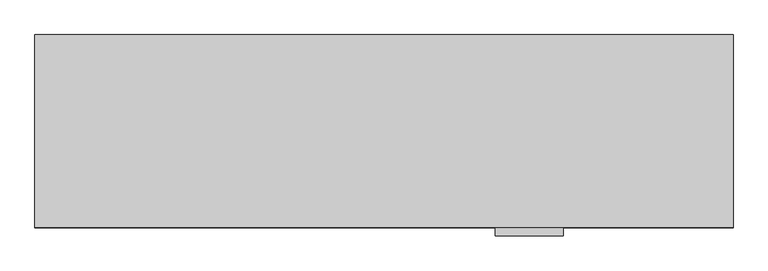
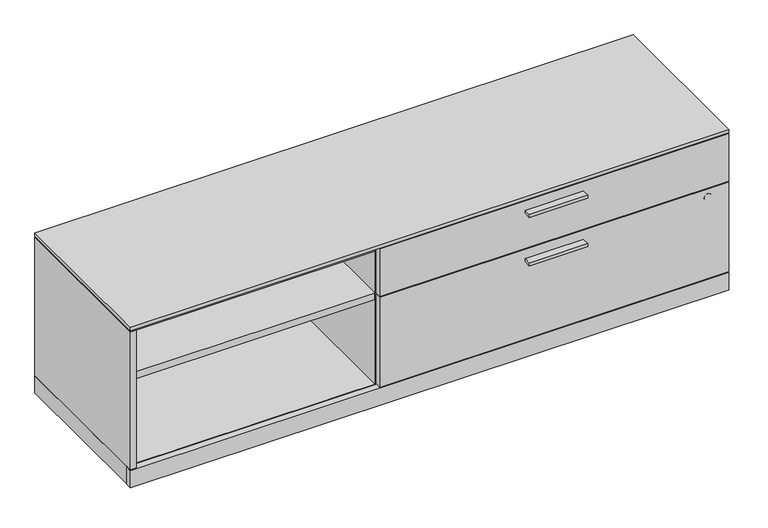
"""IFC4 building model written with IfcOpenShell, lengths in millimetres: furniture geometry."""

from ifc_helpers import new_model, si_unit, point, frame, frame_2d, origin, origin_with_axes, place, context, project, spatial, polyline, circle_curve, trimmed, segment, composite_curve, outline, extrude, faceted_brep, source, transform, mapped, element, save


def furniture_273ddce1(model_context):
    return source(origin(), model_context, "Body", "SolidModel", [
        extrude(outline(polyline([(1383.50625, -528.574), (1205.70625, -528.574), (1205.70625, -506.349), (1383.50625, -506.349), (1383.50625, -528.574)])), frame((0.0, 0.0, 312.1914), z_axis=(0.0, 0.0, 1.0), x_axis=(1.0, 0.0, 0.0)), (0.0, 0.0, 1.0), 9.525),
        extrude(outline(polyline([(1383.50625, -528.574), (1205.70625, -528.574), (1205.70625, -506.349), (1383.50625, -506.349), (1383.50625, -528.574)])), frame((0.0, 0.0, 468.1474), z_axis=(0.0, 0.0, 1.0), x_axis=(1.0, 0.0, 0.0)), (0.0, 0.0, 1.0), 9.525),
        extrude(outline(polyline([(1827.2125, -1.524), (1827.2125, -483.2858), (1.5875, -483.2858), (1.5875, -1.524), (1827.2125, -1.524)])), frame((0.0, 0.0, 3.5814), z_axis=(0.0, 0.0, 1.0), x_axis=(1.0, 0.0, 0.0)), (0.0, 0.0, 1.0), 55.1688),
        extrude(outline(polyline([(1827.2125, -487.045), (1827.2125, -506.349), (1.5875, -506.349), (1.5875, -487.045), (1827.2125, -487.045)])), frame((0.0, 0.0, 3.5814), z_axis=(0.0, 0.0, 1.0), x_axis=(1.0, 0.0, 0.0)), (0.0, 0.0, 1.0), 55.1688),
        extrude(outline(polyline([(20.8915, -20.828), (759.7902, -20.828), (759.7902, -483.2858), (20.8915, -483.2858), (20.8915, -20.828)])), frame((0.0, 0.0, 331.4446), z_axis=(0.0, 0.0, 1.0), x_axis=(1.0, 0.0, 0.0)), (0.0, 0.0, 1.0), 22.225),
        extrude(outline(polyline([(759.7902, -20.828), (782.0152, -20.828), (782.0152, -483.2858), (759.7902, -483.2858), (759.7902, -20.828)])), frame((0.0, 0.0, 58.7502), z_axis=(0.0, 0.0, 1.0), x_axis=(1.0, 0.0, 0.0)), (0.0, 0.0, 1.0), 429.3362),
        extrude(outline(polyline([(1827.2125, -487.045), (1827.2125, -506.349), (762.0, -506.349), (762.0, -487.045), (1827.2125, -487.045)])), frame((0.0, 0.0, 61.9252), z_axis=(0.0, 0.0, 1.0), x_axis=(1.0, 0.0, 0.0)), (0.0, 0.0, 1.0), 289.5092),
        extrude(outline(polyline([(1827.2125, -487.045), (1827.2125, -506.349), (762.0, -506.349), (762.0, -487.045), (1827.2125, -487.045)])), frame((0.0, 0.0, 354.6094), z_axis=(0.0, 0.0, 1.0), x_axis=(1.0, 0.0, 0.0)), (0.0, 0.0, 1.0), 152.781),
        extrude(outline(composite_curve([segment(trimmed(circle_curve(frame_2d((326.0344, 1762.54918)), 11.176), [point((326.0344, 1773.72518))], [point((326.0344, 1751.37318))], False, "CARTESIAN"), True, "CONTINUOUS"), segment(trimmed(circle_curve(frame_2d((326.0344, 1762.54918)), 11.176), [point((326.0344, 1751.37318))], [point((326.0344, 1773.72518))], False, "CARTESIAN"), True, "CONTINUOUS")], self_intersect=False)), frame((0.0, -506.603, 0.0), z_axis=(0.0, 1.0, 0.0), x_axis=(0.0, 0.0, 1.0)), (0.0, 0.0, 1.0), 4.69392),
        extrude(outline(polyline([(46.1772, -27.7114), (61.8363, -36.7521856), (61.8363, -54.8337568), (46.1772, -63.8745424), (30.5181, -54.8337568), (30.5181, -36.7521856), (46.1772, -27.7114)])), origin_with_axes(), (0.0, 0.0, 1.0), 8.4328),
        extrude(outline(polyline([(46.1772, -480.1616), (30.5181, -471.1208144), (30.5181, -453.0392432), (46.1772, -443.9984576), (61.8363, -453.0392432), (61.8363, -471.1208144), (46.1772, -480.1616)])), origin_with_axes(), (0.0, 0.0, 1.0), 8.4328),
        extrude(outline(polyline([(1782.6228, -27.7114), (1798.2819, -36.7521856), (1798.2819, -54.8337568), (1782.6228, -63.8745424), (1766.9637, -54.8337568), (1766.9637, -36.7521856), (1782.6228, -27.7114)])), origin_with_axes(), (0.0, 0.0, 1.0), 8.4328),
        extrude(outline(polyline([(1782.6228, -480.1616), (1766.9637, -471.1208144), (1766.9637, -453.0392432), (1782.6228, -443.9984576), (1798.2819, -453.0392432), (1798.2819, -471.1208144), (1782.6228, -480.1616)])), origin_with_axes(), (0.0, 0.0, 1.0), 8.4328),
        extrude(outline(polyline([(1827.2125, -506.349), (1.5875, -506.349), (1.5875, -1.524), (1827.2125, -1.524), (1827.2125, -506.349)])), frame((0.0, 0.0, 510.5654), z_axis=(0.0, 0.0, 1.0), x_axis=(1.0, 0.0, 0.0)), (0.0, 0.0, 1.0), 9.75868),
        faceted_brep([(19.304, -506.349, 507.3904), (1.5875, -506.349, 507.3904), (1.5875, -506.349, 61.9252), (19.304, -506.349, 61.9252), (1827.2125, -1.524, 507.3904), (1827.2125, -1.524, 58.7502), (1.5875, -1.524, 58.7502), (1.5875, -1.524, 507.3904), (19.304, -483.2858, 507.3904), (1827.2125, -483.2858, 507.3904), (1.5875, -483.2858, 58.7502), (1.5875, -483.2858, 61.9252), (1827.2125, -483.2858, 58.7502), (1807.9085, -20.828, 488.0864), (20.8915, -20.828, 488.0864), (20.8915, -20.828, 58.7502), (1807.9085, -20.828, 58.7502), (1807.9085, -483.2858, 488.0864), (20.8915, -483.2858, 488.0864), (20.8915, -483.2858, 58.7502), (1807.9085, -483.2858, 58.7502), (19.304, -483.2858, 61.9252)], [[[0, 1, 2, 3]], [[4, 5, 6, 7]], [[4, 7, 1, 0, 8, 9]], [[7, 6, 10, 11, 2, 1]], [[5, 4, 9, 12]], [[13, 14, 15, 16]], [[14, 13, 17, 18]], [[15, 14, 18, 19]], [[13, 16, 20, 17]], [[8, 0, 3, 21]], [[9, 8, 21, 11, 10, 19, 18, 17, 20, 12]], [[11, 21, 3, 2]], [[6, 5, 12, 20, 16, 15, 19, 10]]]),
    ])


if __name__ == "__main__":
    model = new_model("IFC4")
    model_context = context("Model", 3, world=origin())
    ifc_project = project(units=[si_unit("LENGTHUNIT", "METRE", prefix="MILLI")], contexts=[model_context])
    site = spatial("IfcSite", under=ifc_project)
    building = spatial("IfcBuilding", under=site)
    placement = place(None, origin())
    furniture_shape = furniture_273ddce1(model_context)
    element("IfcFurniture", 1, at=placement, inside=building, context=model_context, shape_type="MappedRepresentation", body=[
        mapped(furniture_shape, transform((0.0, 0.0, 0.0), x_axis=(1.0, 0.0, 0.0), y_axis=(0.0, 1.0, 0.0), z_axis=(0.0, 0.0, 1.0))),
    ])
    save(model, "model.ifc")
